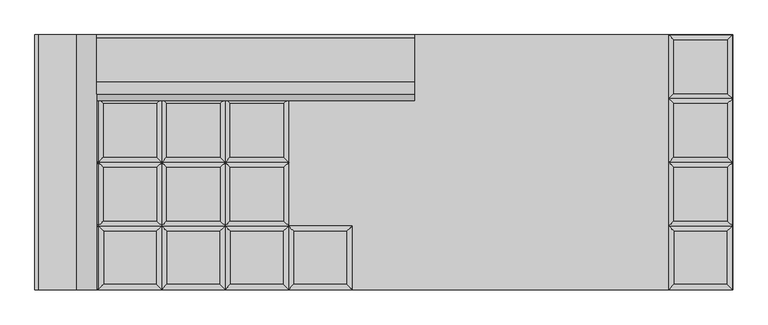
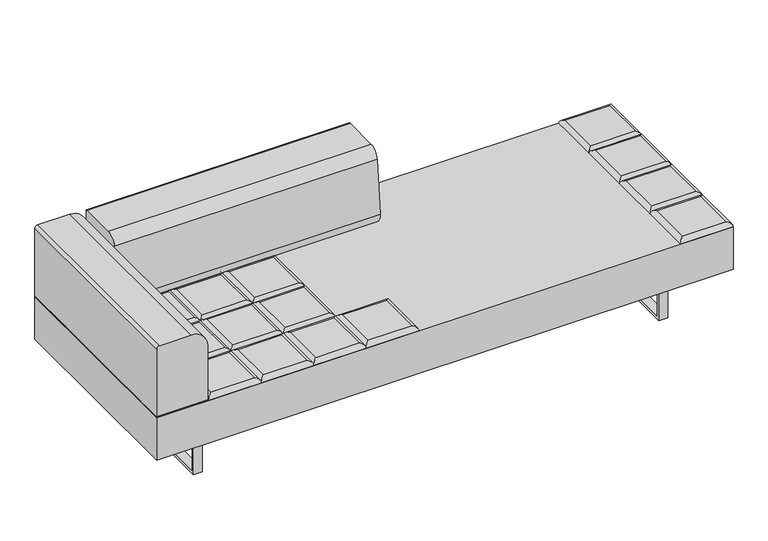
"""IFC4 building model written with IfcOpenShell, lengths in millimetres: furniture geometry."""

from ifc_helpers import new_model, si_unit, point, frame, frame_2d, origin, place, context, project, spatial, polyline, circle_curve, ellipse_curve, trimmed, segment, composite_curve, outline, extrude, source, transform, mapped, element, save
from ifc_brep_helpers import plane_surface, cylinder_surface, advanced_brep


def furniture_3f91d05d(model_context):
    return source(origin(), model_context, "Body", "SolidModel", [
        advanced_brep(
        [(-109.855, -222.25, 393.7), (-127.8155122, -240.2105122, 411.6605122), (-127.8155122, -426.5394878, 411.6605122), (-109.855, -444.5, 393.7), (-314.1444878, -426.5394878, 411.6605122), (-332.105, -444.5, 393.7), (-314.1444878, -240.2105122, 411.6605122), (-332.105, -222.25, 393.7)],
        [
            (0, 1, ellipse_curve(frame((-127.8155122, -240.2105122, 393.7), z_axis=(0.7071067811865475, -0.7071067811865475, 0.0), x_axis=(0.7071067811865474, 0.7071067811865476, 0.0)), 25.4, 17.9605122)),
            (1, 2),
            (2, 3, ellipse_curve(frame((-127.8155122, -426.5394878, 393.7), z_axis=(0.7071067811865475, 0.7071067811865475, 0.0), x_axis=(-0.7071067811865474, 0.7071067811865476, 0.0)), 25.4, 17.9605122)),
            (3, 0),
            (2, 4),
            (4, 5, ellipse_curve(frame((-314.1444878, -426.5394878, 393.7), z_axis=(0.7071067811865475, -0.7071067811865475, 0.0), x_axis=(0.7071067811865476, 0.7071067811865474, 0.0)), 25.4, 17.9605122)),
            (5, 3),
            (4, 6),
            (6, 7, ellipse_curve(frame((-314.1444878, -240.2105122, 393.7), z_axis=(-0.7071067811865475, -0.7071067811865475, 0.0), x_axis=(0.7071067811865474, -0.7071067811865476, 0.0)), 25.4, 17.9605122)),
            (7, 5),
            (0, 7),
            (6, 1),
        ],
        [
            cylinder_surface(frame((-127.8155122, -222.25, 393.7), z_axis=(0.0, 1.0, 0.0), x_axis=(1.0, 0.0, 0.0)), 17.9605122),
            cylinder_surface(frame((-109.855, -426.5394878, 393.7), z_axis=(1.0, 0.0, 0.0), x_axis=(0.0, -1.0, 0.0)), 17.9605122),
            cylinder_surface(frame((-314.1444878, -444.5, 393.7), z_axis=(0.0, -1.0, 0.0), x_axis=(-1.0, 0.0, 0.0)), 17.9605122),
            cylinder_surface(frame((-332.105, -240.2105122, 393.7), z_axis=(-1.0, 0.0, 0.0), x_axis=(0.0, 1.0, 0.0)), 17.9605122),
            plane_surface(frame((-332.105, -222.25, 393.7), z_axis=(0.0, 0.0, -1.0), x_axis=(1.0, 0.0, 0.0))),
            plane_surface(frame((-314.1444878, -240.2105122, 411.6605122), z_axis=(0.0, 0.0, 1.0), x_axis=(-1.0, 0.0, 0.0))),
        ],
        [
            (0, [[1, 2, 3, 4]]),
            (1, [[-3, 5, 6, 7]]),
            (2, [[-6, 8, 9, 10]]),
            (3, [[-1, 11, -9, 12]]),
            (4, [[-4, -7, -10, -11]]),
            (5, [[-2, -12, -8, -5]]),
        ],
    ),
        advanced_brep(
        [(-348.7955122, -204.2894878, 411.6605122), (-348.7955122, -17.9605122, 411.6605122), (-535.1244878, -17.9605122, 411.6605122), (-535.1244878, -204.2894878, 411.6605122), (-330.835, 0.0, 393.7), (-330.835, -222.25, 393.7), (-553.085, -222.25, 393.7), (-553.085, 0.0, 393.7)],
        [
            (0, 1),
            (1, 2),
            (2, 3),
            (3, 0),
            (4, 5),
            (5, 6),
            (6, 7),
            (7, 4),
            (4, 1, ellipse_curve(frame((-348.7955122, -17.9605122, 393.7), z_axis=(0.7071067811865475, -0.7071067811865475, 0.0), x_axis=(0.7071067811865474, 0.7071067811865476, 0.0)), 25.4, 17.9605122)),
            (0, 5, ellipse_curve(frame((-348.7955122, -204.2894878, 393.7), z_axis=(0.7071067811865475, 0.7071067811865475, 0.0), x_axis=(-0.7071067811865474, 0.7071067811865476, 0.0)), 25.4, 17.9605122)),
            (3, 6, ellipse_curve(frame((-535.1244878, -204.2894878, 393.7), z_axis=(0.7071067811865475, -0.7071067811865475, 0.0), x_axis=(0.7071067811865476, 0.7071067811865474, 0.0)), 25.4, 17.9605122)),
            (2, 7, ellipse_curve(frame((-535.1244878, -17.9605122, 393.7), z_axis=(-0.7071067811865475, -0.7071067811865475, 0.0), x_axis=(0.7071067811865474, -0.7071067811865476, 0.0)), 25.4, 17.9605122)),
        ],
        [
            plane_surface(frame((-535.1244878, -17.9605122, 411.6605122), z_axis=(0.0, 0.0, 1.0), x_axis=(-1.0, 0.0, 0.0))),
            plane_surface(frame((-535.1244878, -17.9605122, 393.7), z_axis=(0.0, 0.0, -1.0), x_axis=(1.0, 0.0, 0.0))),
            cylinder_surface(frame((-348.7955122, 0.0, 393.7), z_axis=(0.0, 1.0, 0.0), x_axis=(1.0, 0.0, 0.0)), 17.9605122),
            cylinder_surface(frame((-330.835, -204.2894878, 393.7), z_axis=(1.0, 0.0, 0.0), x_axis=(0.0, -1.0, 0.0)), 17.9605122),
            cylinder_surface(frame((-535.1244878, -222.25, 393.7), z_axis=(0.0, -1.0, 0.0), x_axis=(-1.0, 0.0, 0.0)), 17.9605122),
            cylinder_surface(frame((-553.085, -17.9605122, 393.7), z_axis=(-1.0, 0.0, 0.0), x_axis=(0.0, 1.0, 0.0)), 17.9605122),
        ],
        [
            (0, [[1, 2, 3, 4]]),
            (1, [[5, 6, 7, 8]]),
            (2, [[9, -1, 10, -5]]),
            (3, [[-10, -4, 11, -6]]),
            (4, [[-11, -3, 12, -7]]),
            (5, [[-9, -8, -12, -2]]),
        ],
    ),
        advanced_brep(
        [(-348.7955122, 17.9605122, 411.6605122), (-348.7955122, 204.2894878, 411.6605122), (-535.1244878, 204.2894878, 411.6605122), (-535.1244878, 17.9605122, 411.6605122), (-330.835, 222.25, 393.7), (-330.835, 0.0, 393.7), (-553.085, 0.0, 393.7), (-553.085, 222.25, 393.7)],
        [
            (0, 1),
            (1, 2),
            (2, 3),
            (3, 0),
            (4, 5),
            (5, 6),
            (6, 7),
            (7, 4),
            (4, 1, ellipse_curve(frame((-348.7955122, 204.2894878, 393.7), z_axis=(0.7071067811865475, -0.7071067811865475, 0.0), x_axis=(0.7071067811865474, 0.7071067811865476, 0.0)), 25.4, 17.9605122)),
            (0, 5, ellipse_curve(frame((-348.7955122, 17.9605122, 393.7), z_axis=(0.7071067811865475, 0.7071067811865475, 0.0), x_axis=(-0.7071067811865474, 0.7071067811865476, 0.0)), 25.4, 17.9605122)),
            (3, 6, ellipse_curve(frame((-535.1244878, 17.9605122, 393.7), z_axis=(0.7071067811865475, -0.7071067811865475, 0.0), x_axis=(0.7071067811865476, 0.7071067811865474, 0.0)), 25.4, 17.9605122)),
            (2, 7, ellipse_curve(frame((-535.1244878, 204.2894878, 393.7), z_axis=(-0.7071067811865475, -0.7071067811865475, 0.0), x_axis=(0.7071067811865474, -0.7071067811865476, 0.0)), 25.4, 17.9605122)),
        ],
        [
            plane_surface(frame((-535.1244878, 204.2894878, 411.6605122), z_axis=(0.0, 0.0, 1.0), x_axis=(-1.0, 0.0, 0.0))),
            plane_surface(frame((-535.1244878, 204.2894878, 393.7), z_axis=(0.0, 0.0, -1.0), x_axis=(1.0, 0.0, 0.0))),
            cylinder_surface(frame((-348.7955122, 222.25, 393.7), z_axis=(0.0, 1.0, 0.0), x_axis=(1.0, 0.0, 0.0)), 17.9605122),
            cylinder_surface(frame((-330.835, 17.9605122, 393.7), z_axis=(1.0, 0.0, 0.0), x_axis=(0.0, -1.0, 0.0)), 17.9605122),
            cylinder_surface(frame((-535.1244878, 0.0, 393.7), z_axis=(0.0, -1.0, 0.0), x_axis=(-1.0, 0.0, 0.0)), 17.9605122),
            cylinder_surface(frame((-553.085, 204.2894878, 393.7), z_axis=(-1.0, 0.0, 0.0), x_axis=(0.0, 1.0, 0.0)), 17.9605122),
        ],
        [
            (0, [[1, 2, 3, 4]]),
            (1, [[5, 6, 7, 8]]),
            (2, [[9, -1, 10, -5]]),
            (3, [[-10, -4, 11, -6]]),
            (4, [[-11, -3, 12, -7]]),
            (5, [[-9, -8, -12, -2]]),
        ],
    ),
        advanced_brep(
        [(-348.7955122, 240.2105122, 411.6605122), (-348.7955122, 426.5394878, 411.6605122), (-535.1244878, 426.5394878, 411.6605122), (-535.1244878, 240.2105122, 411.6605122), (-330.835, 444.5, 393.7), (-330.835, 222.25, 393.7), (-553.085, 222.25, 393.7), (-553.085, 444.5, 393.7)],
        [
            (0, 1),
            (1, 2),
            (2, 3),
            (3, 0),
            (4, 5),
            (5, 6),
            (6, 7),
            (7, 4),
            (4, 1, ellipse_curve(frame((-348.7955122, 426.5394878, 393.7), z_axis=(0.7071067811865475, -0.7071067811865475, 0.0), x_axis=(0.7071067811865474, 0.7071067811865476, 0.0)), 25.4, 17.9605122)),
            (0, 5, ellipse_curve(frame((-348.7955122, 240.2105122, 393.7), z_axis=(0.7071067811865475, 0.7071067811865475, 0.0), x_axis=(-0.7071067811865474, 0.7071067811865476, 0.0)), 25.4, 17.9605122)),
            (3, 6, ellipse_curve(frame((-535.1244878, 240.2105122, 393.7), z_axis=(0.7071067811865475, -0.7071067811865475, 0.0), x_axis=(0.7071067811865476, 0.7071067811865474, 0.0)), 25.4, 17.9605122)),
            (2, 7, ellipse_curve(frame((-535.1244878, 426.5394878, 393.7), z_axis=(-0.7071067811865475, -0.7071067811865475, 0.0), x_axis=(0.7071067811865474, -0.7071067811865476, 0.0)), 25.4, 17.9605122)),
        ],
        [
            plane_surface(frame((-535.1244878, 426.5394878, 411.6605122), z_axis=(0.0, 0.0, 1.0), x_axis=(-1.0, 0.0, 0.0))),
            plane_surface(frame((-535.1244878, 426.5394878, 393.7), z_axis=(0.0, 0.0, -1.0), x_axis=(1.0, 0.0, 0.0))),
            cylinder_surface(frame((-348.7955122, 444.5, 393.7), z_axis=(0.0, 1.0, 0.0), x_axis=(1.0, 0.0, 0.0)), 17.9605122),
            cylinder_surface(frame((-330.835, 240.2105122, 393.7), z_axis=(1.0, 0.0, 0.0), x_axis=(0.0, -1.0, 0.0)), 17.9605122),
            cylinder_surface(frame((-535.1244878, 222.25, 393.7), z_axis=(0.0, -1.0, 0.0), x_axis=(-1.0, 0.0, 0.0)), 17.9605122),
            cylinder_surface(frame((-553.085, 426.5394878, 393.7), z_axis=(-1.0, 0.0, 0.0), x_axis=(0.0, 1.0, 0.0)), 17.9605122),
        ],
        [
            (0, [[1, 2, 3, 4]]),
            (1, [[5, 6, 7, 8]]),
            (2, [[9, -1, 10, -5]]),
            (3, [[-10, -4, 11, -6]]),
            (4, [[-11, -3, 12, -7]]),
            (5, [[-9, -8, -12, -2]]),
        ],
    ),
        advanced_brep(
        [(-330.835, -222.25, 393.7), (-348.7955122, -240.2105122, 411.6605122), (-348.7955122, -426.5394878, 411.6605122), (-330.835, -444.5, 393.7), (-535.1244878, -426.5394878, 411.6605122), (-553.085, -444.5, 393.7), (-535.1244878, -240.2105122, 411.6605122), (-553.085, -222.25, 393.7)],
        [
            (0, 1, ellipse_curve(frame((-348.7955122, -240.2105122, 393.7), z_axis=(0.7071067811865475, -0.7071067811865475, 0.0), x_axis=(0.7071067811865474, 0.7071067811865476, 0.0)), 25.4, 17.9605122)),
            (1, 2),
            (2, 3, ellipse_curve(frame((-348.7955122, -426.5394878, 393.7), z_axis=(0.7071067811865475, 0.7071067811865475, 0.0), x_axis=(-0.7071067811865474, 0.7071067811865476, 0.0)), 25.4, 17.9605122)),
            (3, 0),
            (2, 4),
            (4, 5, ellipse_curve(frame((-535.1244878, -426.5394878, 393.7), z_axis=(0.7071067811865475, -0.7071067811865475, 0.0), x_axis=(0.7071067811865476, 0.7071067811865474, 0.0)), 25.4, 17.9605122)),
            (5, 3),
            (4, 6),
            (6, 7, ellipse_curve(frame((-535.1244878, -240.2105122, 393.7), z_axis=(-0.7071067811865475, -0.7071067811865475, 0.0), x_axis=(0.7071067811865474, -0.7071067811865476, 0.0)), 25.4, 17.9605122)),
            (7, 5),
            (0, 7),
            (6, 1),
        ],
        [
            cylinder_surface(frame((-348.7955122, -222.25, 393.7), z_axis=(0.0, 1.0, 0.0), x_axis=(1.0, 0.0, 0.0)), 17.9605122),
            cylinder_surface(frame((-330.835, -426.5394878, 393.7), z_axis=(1.0, 0.0, 0.0), x_axis=(0.0, -1.0, 0.0)), 17.9605122),
            cylinder_surface(frame((-535.1244878, -444.5, 393.7), z_axis=(0.0, -1.0, 0.0), x_axis=(-1.0, 0.0, 0.0)), 17.9605122),
            cylinder_surface(frame((-553.085, -240.2105122, 393.7), z_axis=(-1.0, 0.0, 0.0), x_axis=(0.0, 1.0, 0.0)), 17.9605122),
            plane_surface(frame((-553.085, -222.25, 393.7), z_axis=(0.0, 0.0, -1.0), x_axis=(1.0, 0.0, 0.0))),
            plane_surface(frame((-535.1244878, -240.2105122, 411.6605122), z_axis=(0.0, 0.0, 1.0), x_axis=(-1.0, 0.0, 0.0))),
        ],
        [
            (0, [[1, 2, 3, 4]]),
            (1, [[-3, 5, 6, 7]]),
            (2, [[-6, 8, 9, 10]]),
            (3, [[-1, 11, -9, 12]]),
            (4, [[-4, -7, -10, -11]]),
            (5, [[-2, -12, -8, -5]]),
        ],
    ),
        advanced_brep(
        [(-569.7755122, -204.2894878, 411.6605122), (-569.7755122, -17.9605122, 411.6605122), (-756.1044878, -17.9605122, 411.6605122), (-756.1044878, -204.2894878, 411.6605122), (-551.815, 0.0, 393.7), (-551.815, -222.25, 393.7), (-774.065, -222.25, 393.7), (-774.065, 0.0, 393.7)],
        [
            (0, 1),
            (1, 2),
            (2, 3),
            (3, 0),
            (4, 5),
            (5, 6),
            (6, 7),
            (7, 4),
            (4, 1, ellipse_curve(frame((-569.7755122, -17.9605122, 393.7), z_axis=(0.7071067811865475, -0.7071067811865475, 0.0), x_axis=(0.7071067811865474, 0.7071067811865476, 0.0)), 25.4, 17.9605122)),
            (0, 5, ellipse_curve(frame((-569.7755122, -204.2894878, 393.7), z_axis=(0.7071067811865475, 0.7071067811865475, 0.0), x_axis=(-0.7071067811865474, 0.7071067811865476, 0.0)), 25.4, 17.9605122)),
            (3, 6, ellipse_curve(frame((-756.1044878, -204.2894878, 393.7), z_axis=(0.7071067811865475, -0.7071067811865475, 0.0), x_axis=(0.7071067811865476, 0.7071067811865474, 0.0)), 25.4, 17.9605122)),
            (2, 7, ellipse_curve(frame((-756.1044878, -17.9605122, 393.7), z_axis=(-0.7071067811865475, -0.7071067811865475, 0.0), x_axis=(0.7071067811865474, -0.7071067811865476, 0.0)), 25.4, 17.9605122)),
        ],
        [
            plane_surface(frame((-756.1044878, -17.9605122, 411.6605122), z_axis=(0.0, 0.0, 1.0), x_axis=(-1.0, 0.0, 0.0))),
            plane_surface(frame((-756.1044878, -17.9605122, 393.7), z_axis=(0.0, 0.0, -1.0), x_axis=(1.0, 0.0, 0.0))),
            cylinder_surface(frame((-569.7755122, 0.0, 393.7), z_axis=(0.0, 1.0, 0.0), x_axis=(1.0, 0.0, 0.0)), 17.9605122),
            cylinder_surface(frame((-551.815, -204.2894878, 393.7), z_axis=(1.0, 0.0, 0.0), x_axis=(0.0, -1.0, 0.0)), 17.9605122),
            cylinder_surface(frame((-756.1044878, -222.25, 393.7), z_axis=(0.0, -1.0, 0.0), x_axis=(-1.0, 0.0, 0.0)), 17.9605122),
            cylinder_surface(frame((-774.065, -17.9605122, 393.7), z_axis=(-1.0, 0.0, 0.0), x_axis=(0.0, 1.0, 0.0)), 17.9605122),
        ],
        [
            (0, [[1, 2, 3, 4]]),
            (1, [[5, 6, 7, 8]]),
            (2, [[9, -1, 10, -5]]),
            (3, [[-10, -4, 11, -6]]),
            (4, [[-11, -3, 12, -7]]),
            (5, [[-9, -8, -12, -2]]),
        ],
    ),
        advanced_brep(
        [(-569.7755122, 17.9605122, 411.6605122), (-569.7755122, 204.2894878, 411.6605122), (-756.1044878, 204.2894878, 411.6605122), (-756.1044878, 17.9605122, 411.6605122), (-551.815, 222.25, 393.7), (-551.815, 0.0, 393.7), (-774.065, 0.0, 393.7), (-774.065, 222.25, 393.7)],
        [
            (0, 1),
            (1, 2),
            (2, 3),
            (3, 0),
            (4, 5),
            (5, 6),
            (6, 7),
            (7, 4),
            (4, 1, ellipse_curve(frame((-569.7755122, 204.2894878, 393.7), z_axis=(0.7071067811865475, -0.7071067811865475, 0.0), x_axis=(0.7071067811865474, 0.7071067811865476, 0.0)), 25.4, 17.9605122)),
            (0, 5, ellipse_curve(frame((-569.7755122, 17.9605122, 393.7), z_axis=(0.7071067811865475, 0.7071067811865475, 0.0), x_axis=(-0.7071067811865474, 0.7071067811865476, 0.0)), 25.4, 17.9605122)),
            (3, 6, ellipse_curve(frame((-756.1044878, 17.9605122, 393.7), z_axis=(0.7071067811865475, -0.7071067811865475, 0.0), x_axis=(0.7071067811865476, 0.7071067811865474, 0.0)), 25.4, 17.9605122)),
            (2, 7, ellipse_curve(frame((-756.1044878, 204.2894878, 393.7), z_axis=(-0.7071067811865475, -0.7071067811865475, 0.0), x_axis=(0.7071067811865474, -0.7071067811865476, 0.0)), 25.4, 17.9605122)),
        ],
        [
            plane_surface(frame((-756.1044878, 204.2894878, 411.6605122), z_axis=(0.0, 0.0, 1.0), x_axis=(-1.0, 0.0, 0.0))),
            plane_surface(frame((-756.1044878, 204.2894878, 393.7), z_axis=(0.0, 0.0, -1.0), x_axis=(1.0, 0.0, 0.0))),
            cylinder_surface(frame((-569.7755122, 222.25, 393.7), z_axis=(0.0, 1.0, 0.0), x_axis=(1.0, 0.0, 0.0)), 17.9605122),
            cylinder_surface(frame((-551.815, 17.9605122, 393.7), z_axis=(1.0, 0.0, 0.0), x_axis=(0.0, -1.0, 0.0)), 17.9605122),
            cylinder_surface(frame((-756.1044878, 0.0, 393.7), z_axis=(0.0, -1.0, 0.0), x_axis=(-1.0, 0.0, 0.0)), 17.9605122),
            cylinder_surface(frame((-774.065, 204.2894878, 393.7), z_axis=(-1.0, 0.0, 0.0), x_axis=(0.0, 1.0, 0.0)), 17.9605122),
        ],
        [
            (0, [[1, 2, 3, 4]]),
            (1, [[5, 6, 7, 8]]),
            (2, [[9, -1, 10, -5]]),
            (3, [[-10, -4, 11, -6]]),
            (4, [[-11, -3, 12, -7]]),
            (5, [[-9, -8, -12, -2]]),
        ],
    ),
        advanced_brep(
        [(-569.7755122, 240.2105122, 411.6605122), (-569.7755122, 426.5394878, 411.6605122), (-756.1044878, 426.5394878, 411.6605122), (-756.1044878, 240.2105122, 411.6605122), (-551.815, 444.5, 393.7), (-551.815, 222.25, 393.7), (-774.065, 222.25, 393.7), (-774.065, 444.5, 393.7)],
        [
            (0, 1),
            (1, 2),
            (2, 3),
            (3, 0),
            (4, 5),
            (5, 6),
            (6, 7),
            (7, 4),
            (4, 1, ellipse_curve(frame((-569.7755122, 426.5394878, 393.7), z_axis=(0.7071067811865475, -0.7071067811865475, 0.0), x_axis=(0.7071067811865474, 0.7071067811865476, 0.0)), 25.4, 17.9605122)),
            (0, 5, ellipse_curve(frame((-569.7755122, 240.2105122, 393.7), z_axis=(0.7071067811865475, 0.7071067811865475, 0.0), x_axis=(-0.7071067811865474, 0.7071067811865476, 0.0)), 25.4, 17.9605122)),
            (3, 6, ellipse_curve(frame((-756.1044878, 240.2105122, 393.7), z_axis=(0.7071067811865475, -0.7071067811865475, 0.0), x_axis=(0.7071067811865476, 0.7071067811865474, 0.0)), 25.4, 17.9605122)),
            (2, 7, ellipse_curve(frame((-756.1044878, 426.5394878, 393.7), z_axis=(-0.7071067811865475, -0.7071067811865475, 0.0), x_axis=(0.7071067811865474, -0.7071067811865476, 0.0)), 25.4, 17.9605122)),
        ],
        [
            plane_surface(frame((-756.1044878, 426.5394878, 411.6605122), z_axis=(0.0, 0.0, 1.0), x_axis=(-1.0, 0.0, 0.0))),
            plane_surface(frame((-756.1044878, 426.5394878, 393.7), z_axis=(0.0, 0.0, -1.0), x_axis=(1.0, 0.0, 0.0))),
            cylinder_surface(frame((-569.7755122, 444.5, 393.7), z_axis=(0.0, 1.0, 0.0), x_axis=(1.0, 0.0, 0.0)), 17.9605122),
            cylinder_surface(frame((-551.815, 240.2105122, 393.7), z_axis=(1.0, 0.0, 0.0), x_axis=(0.0, -1.0, 0.0)), 17.9605122),
            cylinder_surface(frame((-756.1044878, 222.25, 393.7), z_axis=(0.0, -1.0, 0.0), x_axis=(-1.0, 0.0, 0.0)), 17.9605122),
            cylinder_surface(frame((-774.065, 426.5394878, 393.7), z_axis=(-1.0, 0.0, 0.0), x_axis=(0.0, 1.0, 0.0)), 17.9605122),
        ],
        [
            (0, [[1, 2, 3, 4]]),
            (1, [[5, 6, 7, 8]]),
            (2, [[9, -1, 10, -5]]),
            (3, [[-10, -4, 11, -6]]),
            (4, [[-11, -3, 12, -7]]),
            (5, [[-9, -8, -12, -2]]),
        ],
    ),
        advanced_brep(
        [(-551.815, -222.25, 393.7), (-569.7755122, -240.2105122, 411.6605122), (-569.7755122, -426.5394878, 411.6605122), (-551.815, -444.5, 393.7), (-756.1044878, -426.5394878, 411.6605122), (-774.065, -444.5, 393.7), (-756.1044878, -240.2105122, 411.6605122), (-774.065, -222.25, 393.7)],
        [
            (0, 1, ellipse_curve(frame((-569.7755122, -240.2105122, 393.7), z_axis=(0.7071067811865475, -0.7071067811865475, 0.0), x_axis=(0.7071067811865474, 0.7071067811865476, 0.0)), 25.4, 17.9605122)),
            (1, 2),
            (2, 3, ellipse_curve(frame((-569.7755122, -426.5394878, 393.7), z_axis=(0.7071067811865475, 0.7071067811865475, 0.0), x_axis=(-0.7071067811865474, 0.7071067811865476, 0.0)), 25.4, 17.9605122)),
            (3, 0),
            (2, 4),
            (4, 5, ellipse_curve(frame((-756.1044878, -426.5394878, 393.7), z_axis=(0.7071067811865475, -0.7071067811865475, 0.0), x_axis=(0.7071067811865476, 0.7071067811865474, 0.0)), 25.4, 17.9605122)),
            (5, 3),
            (4, 6),
            (6, 7, ellipse_curve(frame((-756.1044878, -240.2105122, 393.7), z_axis=(-0.7071067811865475, -0.7071067811865475, 0.0), x_axis=(0.7071067811865474, -0.7071067811865476, 0.0)), 25.4, 17.9605122)),
            (7, 5),
            (0, 7),
            (6, 1),
        ],
        [
            cylinder_surface(frame((-569.7755122, -222.25, 393.7), z_axis=(0.0, 1.0, 0.0), x_axis=(1.0, 0.0, 0.0)), 17.9605122),
            cylinder_surface(frame((-551.815, -426.5394878, 393.7), z_axis=(1.0, 0.0, 0.0), x_axis=(0.0, -1.0, 0.0)), 17.9605122),
            cylinder_surface(frame((-756.1044878, -444.5, 393.7), z_axis=(0.0, -1.0, 0.0), x_axis=(-1.0, 0.0, 0.0)), 17.9605122),
            cylinder_surface(frame((-774.065, -240.2105122, 393.7), z_axis=(-1.0, 0.0, 0.0), x_axis=(0.0, 1.0, 0.0)), 17.9605122),
            plane_surface(frame((-774.065, -222.25, 393.7), z_axis=(0.0, 0.0, -1.0), x_axis=(1.0, 0.0, 0.0))),
            plane_surface(frame((-756.1044878, -240.2105122, 411.6605122), z_axis=(0.0, 0.0, 1.0), x_axis=(-1.0, 0.0, 0.0))),
        ],
        [
            (0, [[1, 2, 3, 4]]),
            (1, [[-3, 5, 6, 7]]),
            (2, [[-6, 8, 9, 10]]),
            (3, [[-1, 11, -9, 12]]),
            (4, [[-4, -7, -10, -11]]),
            (5, [[-2, -12, -8, -5]]),
        ],
    ),
        advanced_brep(
        [(-790.7555122, -204.2894878, 411.6605122), (-790.7555122, -17.9605122, 411.6605122), (-977.0844878, -17.9605122, 411.6605122), (-977.0844878, -204.2894878, 411.6605122), (-772.795, 0.0, 393.7), (-772.795, -222.25, 393.7), (-995.045, -222.25, 393.7), (-995.045, 0.0, 393.7)],
        [
            (0, 1),
            (1, 2),
            (2, 3),
            (3, 0),
            (4, 5),
            (5, 6),
            (6, 7),
            (7, 4),
            (4, 1, ellipse_curve(frame((-790.7555122, -17.9605122, 393.7), z_axis=(0.7071067811865475, -0.7071067811865475, 0.0), x_axis=(0.7071067811865474, 0.7071067811865476, 0.0)), 25.4, 17.9605122)),
            (0, 5, ellipse_curve(frame((-790.7555122, -204.2894878, 393.7), z_axis=(0.7071067811865475, 0.7071067811865475, 0.0), x_axis=(-0.7071067811865474, 0.7071067811865476, 0.0)), 25.4, 17.9605122)),
            (3, 6, ellipse_curve(frame((-977.0844878, -204.2894878, 393.7), z_axis=(0.7071067811865475, -0.7071067811865475, 0.0), x_axis=(0.7071067811865476, 0.7071067811865474, 0.0)), 25.4, 17.9605122)),
            (2, 7, ellipse_curve(frame((-977.0844878, -17.9605122, 393.7), z_axis=(-0.7071067811865475, -0.7071067811865475, 0.0), x_axis=(0.7071067811865474, -0.7071067811865476, 0.0)), 25.4, 17.9605122)),
        ],
        [
            plane_surface(frame((-977.0844878, -17.9605122, 411.6605122), z_axis=(0.0, 0.0, 1.0), x_axis=(-1.0, 0.0, 0.0))),
            plane_surface(frame((-977.0844878, -17.9605122, 393.7), z_axis=(0.0, 0.0, -1.0), x_axis=(1.0, 0.0, 0.0))),
            cylinder_surface(frame((-790.7555122, 0.0, 393.7), z_axis=(0.0, 1.0, 0.0), x_axis=(1.0, 0.0, 0.0)), 17.9605122),
            cylinder_surface(frame((-772.795, -204.2894878, 393.7), z_axis=(1.0, 0.0, 0.0), x_axis=(0.0, -1.0, 0.0)), 17.9605122),
            cylinder_surface(frame((-977.0844878, -222.25, 393.7), z_axis=(0.0, -1.0, 0.0), x_axis=(-1.0, 0.0, 0.0)), 17.9605122),
            cylinder_surface(frame((-995.045, -17.9605122, 393.7), z_axis=(-1.0, 0.0, 0.0), x_axis=(0.0, 1.0, 0.0)), 17.9605122),
        ],
        [
            (0, [[1, 2, 3, 4]]),
            (1, [[5, 6, 7, 8]]),
            (2, [[9, -1, 10, -5]]),
            (3, [[-10, -4, 11, -6]]),
            (4, [[-11, -3, 12, -7]]),
            (5, [[-9, -8, -12, -2]]),
        ],
    ),
        advanced_brep(
        [(-790.7555122, 17.9605122, 411.6605122), (-790.7555122, 204.2894878, 411.6605122), (-977.0844878, 204.2894878, 411.6605122), (-977.0844878, 17.9605122, 411.6605122), (-772.795, 222.25, 393.7), (-772.795, 0.0, 393.7), (-995.045, 0.0, 393.7), (-995.045, 222.25, 393.7)],
        [
            (0, 1),
            (1, 2),
            (2, 3),
            (3, 0),
            (4, 5),
            (5, 6),
            (6, 7),
            (7, 4),
            (4, 1, ellipse_curve(frame((-790.7555122, 204.2894878, 393.7), z_axis=(0.7071067811865475, -0.7071067811865475, 0.0), x_axis=(0.7071067811865474, 0.7071067811865476, 0.0)), 25.4, 17.9605122)),
            (0, 5, ellipse_curve(frame((-790.7555122, 17.9605122, 393.7), z_axis=(0.7071067811865475, 0.7071067811865475, 0.0), x_axis=(-0.7071067811865474, 0.7071067811865476, 0.0)), 25.4, 17.9605122)),
            (3, 6, ellipse_curve(frame((-977.0844878, 17.9605122, 393.7), z_axis=(0.7071067811865475, -0.7071067811865475, 0.0), x_axis=(0.7071067811865476, 0.7071067811865474, 0.0)), 25.4, 17.9605122)),
            (2, 7, ellipse_curve(frame((-977.0844878, 204.2894878, 393.7), z_axis=(-0.7071067811865475, -0.7071067811865475, 0.0), x_axis=(0.7071067811865474, -0.7071067811865476, 0.0)), 25.4, 17.9605122)),
        ],
        [
            plane_surface(frame((-977.0844878, 204.2894878, 411.6605122), z_axis=(0.0, 0.0, 1.0), x_axis=(-1.0, 0.0, 0.0))),
            plane_surface(frame((-977.0844878, 204.2894878, 393.7), z_axis=(0.0, 0.0, -1.0), x_axis=(1.0, 0.0, 0.0))),
            cylinder_surface(frame((-790.7555122, 222.25, 393.7), z_axis=(0.0, 1.0, 0.0), x_axis=(1.0, 0.0, 0.0)), 17.9605122),
            cylinder_surface(frame((-772.795, 17.9605122, 393.7), z_axis=(1.0, 0.0, 0.0), x_axis=(0.0, -1.0, 0.0)), 17.9605122),
            cylinder_surface(frame((-977.0844878, 0.0, 393.7), z_axis=(0.0, -1.0, 0.0), x_axis=(-1.0, 0.0, 0.0)), 17.9605122),
            cylinder_surface(frame((-995.045, 204.2894878, 393.7), z_axis=(-1.0, 0.0, 0.0), x_axis=(0.0, 1.0, 0.0)), 17.9605122),
        ],
        [
            (0, [[1, 2, 3, 4]]),
            (1, [[5, 6, 7, 8]]),
            (2, [[9, -1, 10, -5]]),
            (3, [[-10, -4, 11, -6]]),
            (4, [[-11, -3, 12, -7]]),
            (5, [[-9, -8, -12, -2]]),
        ],
    ),
        advanced_brep(
        [(-790.7555122, 240.2105122, 411.6605122), (-790.7555122, 426.5394878, 411.6605122), (-977.0844878, 426.5394878, 411.6605122), (-977.0844878, 240.2105122, 411.6605122), (-772.795, 444.5, 393.7), (-772.795, 222.25, 393.7), (-995.045, 222.25, 393.7), (-995.045, 444.5, 393.7)],
        [
            (0, 1),
            (1, 2),
            (2, 3),
            (3, 0),
            (4, 5),
            (5, 6),
            (6, 7),
            (7, 4),
            (4, 1, ellipse_curve(frame((-790.7555122, 426.5394878, 393.7), z_axis=(0.7071067811865475, -0.7071067811865475, 0.0), x_axis=(0.7071067811865474, 0.7071067811865476, 0.0)), 25.4, 17.9605122)),
            (0, 5, ellipse_curve(frame((-790.7555122, 240.2105122, 393.7), z_axis=(0.7071067811865475, 0.7071067811865475, 0.0), x_axis=(-0.7071067811865474, 0.7071067811865476, 0.0)), 25.4, 17.9605122)),
            (3, 6, ellipse_curve(frame((-977.0844878, 240.2105122, 393.7), z_axis=(0.7071067811865475, -0.7071067811865475, 0.0), x_axis=(0.7071067811865476, 0.7071067811865474, 0.0)), 25.4, 17.9605122)),
            (2, 7, ellipse_curve(frame((-977.0844878, 426.5394878, 393.7), z_axis=(-0.7071067811865475, -0.7071067811865475, 0.0), x_axis=(0.7071067811865474, -0.7071067811865476, 0.0)), 25.4, 17.9605122)),
        ],
        [
            plane_surface(frame((-977.0844878, 426.5394878, 411.6605122), z_axis=(0.0, 0.0, 1.0), x_axis=(-1.0, 0.0, 0.0))),
            plane_surface(frame((-977.0844878, 426.5394878, 393.7), z_axis=(0.0, 0.0, -1.0), x_axis=(1.0, 0.0, 0.0))),
            cylinder_surface(frame((-790.7555122, 444.5, 393.7), z_axis=(0.0, 1.0, 0.0), x_axis=(1.0, 0.0, 0.0)), 17.9605122),
            cylinder_surface(frame((-772.795, 240.2105122, 393.7), z_axis=(1.0, 0.0, 0.0), x_axis=(0.0, -1.0, 0.0)), 17.9605122),
            cylinder_surface(frame((-977.0844878, 222.25, 393.7), z_axis=(0.0, -1.0, 0.0), x_axis=(-1.0, 0.0, 0.0)), 17.9605122),
            cylinder_surface(frame((-995.045, 426.5394878, 393.7), z_axis=(-1.0, 0.0, 0.0), x_axis=(0.0, 1.0, 0.0)), 17.9605122),
        ],
        [
            (0, [[1, 2, 3, 4]]),
            (1, [[5, 6, 7, 8]]),
            (2, [[9, -1, 10, -5]]),
            (3, [[-10, -4, 11, -6]]),
            (4, [[-11, -3, 12, -7]]),
            (5, [[-9, -8, -12, -2]]),
        ],
    ),
        advanced_brep(
        [(-772.795, -222.25, 393.7), (-790.7555122, -240.2105122, 411.6605122), (-790.7555122, -426.5394878, 411.6605122), (-772.795, -444.5, 393.7), (-977.0844878, -426.5394878, 411.6605122), (-995.045, -444.5, 393.7), (-977.0844878, -240.2105122, 411.6605122), (-995.045, -222.25, 393.7)],
        [
            (0, 1, ellipse_curve(frame((-790.7555122, -240.2105122, 393.7), z_axis=(0.7071067811865475, -0.7071067811865475, 0.0), x_axis=(0.7071067811865474, 0.7071067811865476, 0.0)), 25.4, 17.9605122)),
            (1, 2),
            (2, 3, ellipse_curve(frame((-790.7555122, -426.5394878, 393.7), z_axis=(0.7071067811865475, 0.7071067811865475, 0.0), x_axis=(-0.7071067811865474, 0.7071067811865476, 0.0)), 25.4, 17.9605122)),
            (3, 0),
            (2, 4),
            (4, 5, ellipse_curve(frame((-977.0844878, -426.5394878, 393.7), z_axis=(0.7071067811865475, -0.7071067811865475, 0.0), x_axis=(0.7071067811865476, 0.7071067811865474, 0.0)), 25.4, 17.9605122)),
            (5, 3),
            (4, 6),
            (6, 7, ellipse_curve(frame((-977.0844878, -240.2105122, 393.7), z_axis=(-0.7071067811865475, -0.7071067811865475, 0.0), x_axis=(0.7071067811865474, -0.7071067811865476, 0.0)), 25.4, 17.9605122)),
            (7, 5),
            (0, 7),
            (6, 1),
        ],
        [
            cylinder_surface(frame((-790.7555122, -222.25, 393.7), z_axis=(0.0, 1.0, 0.0), x_axis=(1.0, 0.0, 0.0)), 17.9605122),
            cylinder_surface(frame((-772.795, -426.5394878, 393.7), z_axis=(1.0, 0.0, 0.0), x_axis=(0.0, -1.0, 0.0)), 17.9605122),
            cylinder_surface(frame((-977.0844878, -444.5, 393.7), z_axis=(0.0, -1.0, 0.0), x_axis=(-1.0, 0.0, 0.0)), 17.9605122),
            cylinder_surface(frame((-995.045, -240.2105122, 393.7), z_axis=(-1.0, 0.0, 0.0), x_axis=(0.0, 1.0, 0.0)), 17.9605122),
            plane_surface(frame((-995.045, -222.25, 393.7), z_axis=(0.0, 0.0, -1.0), x_axis=(1.0, 0.0, 0.0))),
            plane_surface(frame((-977.0844878, -240.2105122, 411.6605122), z_axis=(0.0, 0.0, 1.0), x_axis=(-1.0, 0.0, 0.0))),
        ],
        [
            (0, [[1, 2, 3, 4]]),
            (1, [[-3, 5, 6, 7]]),
            (2, [[-6, 8, 9, 10]]),
            (3, [[-1, 11, -9, 12]]),
            (4, [[-4, -7, -10, -11]]),
            (5, [[-2, -12, -8, -5]]),
        ],
    ),
        advanced_brep(
        [(1198.0644878, -204.2894878, 411.6605122), (1198.0644878, -17.9605122, 411.6605122), (1011.7355122, -17.9605122, 411.6605122), (1011.7355122, -204.2894878, 411.6605122), (1216.025, 0.0, 393.7), (1216.025, -222.25, 393.7), (993.775, -222.25, 393.7), (993.775, 0.0, 393.7)],
        [
            (0, 1),
            (1, 2),
            (2, 3),
            (3, 0),
            (4, 5),
            (5, 6),
            (6, 7),
            (7, 4),
            (4, 1, ellipse_curve(frame((1198.0644878, -17.9605122, 393.7), z_axis=(0.7071067811865475, -0.7071067811865475, 0.0), x_axis=(0.7071067811865474, 0.7071067811865476, 0.0)), 25.4, 17.9605122)),
            (0, 5, ellipse_curve(frame((1198.0644878, -204.2894878, 393.7), z_axis=(0.7071067811865475, 0.7071067811865475, 0.0), x_axis=(-0.7071067811865474, 0.7071067811865476, 0.0)), 25.4, 17.9605122)),
            (3, 6, ellipse_curve(frame((1011.7355122, -204.2894878, 393.7), z_axis=(0.7071067811865475, -0.7071067811865475, 0.0), x_axis=(0.7071067811865476, 0.7071067811865474, 0.0)), 25.4, 17.9605122)),
            (2, 7, ellipse_curve(frame((1011.7355122, -17.9605122, 393.7), z_axis=(-0.7071067811865475, -0.7071067811865475, 0.0), x_axis=(0.7071067811865474, -0.7071067811865476, 0.0)), 25.4, 17.9605122)),
        ],
        [
            plane_surface(frame((1011.7355122, -17.9605122, 411.6605122), z_axis=(0.0, 0.0, 1.0), x_axis=(-1.0, 0.0, 0.0))),
            plane_surface(frame((1011.7355122, -17.9605122, 393.7), z_axis=(0.0, 0.0, -1.0), x_axis=(1.0, 0.0, 0.0))),
            cylinder_surface(frame((1198.0644878, 0.0, 393.7), z_axis=(0.0, 1.0, 0.0), x_axis=(1.0, 0.0, 0.0)), 17.9605122),
            cylinder_surface(frame((1216.025, -204.2894878, 393.7), z_axis=(1.0, 0.0, 0.0), x_axis=(0.0, -1.0, 0.0)), 17.9605122),
            cylinder_surface(frame((1011.7355122, -222.25, 393.7), z_axis=(0.0, -1.0, 0.0), x_axis=(-1.0, 0.0, 0.0)), 17.9605122),
            cylinder_surface(frame((993.775, -17.9605122, 393.7), z_axis=(-1.0, 0.0, 0.0), x_axis=(0.0, 1.0, 0.0)), 17.9605122),
        ],
        [
            (0, [[1, 2, 3, 4]]),
            (1, [[5, 6, 7, 8]]),
            (2, [[9, -1, 10, -5]]),
            (3, [[-10, -4, 11, -6]]),
            (4, [[-11, -3, 12, -7]]),
            (5, [[-9, -8, -12, -2]]),
        ],
    ),
        advanced_brep(
        [(1198.0644878, 17.9605122, 411.6605122), (1198.0644878, 204.2894878, 411.6605122), (1011.7355122, 204.2894878, 411.6605122), (1011.7355122, 17.9605122, 411.6605122), (1216.025, 222.25, 393.7), (1216.025, 0.0, 393.7), (993.775, 0.0, 393.7), (993.775, 222.25, 393.7)],
        [
            (0, 1),
            (1, 2),
            (2, 3),
            (3, 0),
            (4, 5),
            (5, 6),
            (6, 7),
            (7, 4),
            (4, 1, ellipse_curve(frame((1198.0644878, 204.2894878, 393.7), z_axis=(0.7071067811865475, -0.7071067811865475, 0.0), x_axis=(0.7071067811865474, 0.7071067811865476, 0.0)), 25.4, 17.9605122)),
            (0, 5, ellipse_curve(frame((1198.0644878, 17.9605122, 393.7), z_axis=(0.7071067811865475, 0.7071067811865475, 0.0), x_axis=(-0.7071067811865474, 0.7071067811865476, 0.0)), 25.4, 17.9605122)),
            (3, 6, ellipse_curve(frame((1011.7355122, 17.9605122, 393.7), z_axis=(0.7071067811865475, -0.7071067811865475, 0.0), x_axis=(0.7071067811865476, 0.7071067811865474, 0.0)), 25.4, 17.9605122)),
            (2, 7, ellipse_curve(frame((1011.7355122, 204.2894878, 393.7), z_axis=(-0.7071067811865475, -0.7071067811865475, 0.0), x_axis=(0.7071067811865474, -0.7071067811865476, 0.0)), 25.4, 17.9605122)),
        ],
        [
            plane_surface(frame((1011.7355122, 204.2894878, 411.6605122), z_axis=(0.0, 0.0, 1.0), x_axis=(-1.0, 0.0, 0.0))),
            plane_surface(frame((1011.7355122, 204.2894878, 393.7), z_axis=(0.0, 0.0, -1.0), x_axis=(1.0, 0.0, 0.0))),
            cylinder_surface(frame((1198.0644878, 222.25, 393.7), z_axis=(0.0, 1.0, 0.0), x_axis=(1.0, 0.0, 0.0)), 17.9605122),
            cylinder_surface(frame((1216.025, 17.9605122, 393.7), z_axis=(1.0, 0.0, 0.0), x_axis=(0.0, -1.0, 0.0)), 17.9605122),
            cylinder_surface(frame((1011.7355122, 0.0, 393.7), z_axis=(0.0, -1.0, 0.0), x_axis=(-1.0, 0.0, 0.0)), 17.9605122),
            cylinder_surface(frame((993.775, 204.2894878, 393.7), z_axis=(-1.0, 0.0, 0.0), x_axis=(0.0, 1.0, 0.0)), 17.9605122),
        ],
        [
            (0, [[1, 2, 3, 4]]),
            (1, [[5, 6, 7, 8]]),
            (2, [[9, -1, 10, -5]]),
            (3, [[-10, -4, 11, -6]]),
            (4, [[-11, -3, 12, -7]]),
            (5, [[-9, -8, -12, -2]]),
        ],
    ),
        advanced_brep(
        [(1198.0644878, 240.2105122, 411.6605122), (1198.0644878, 426.5394878, 411.6605122), (1011.7355122, 426.5394878, 411.6605122), (1011.7355122, 240.2105122, 411.6605122), (1216.025, 444.5, 393.7), (1216.025, 222.25, 393.7), (993.775, 222.25, 393.7), (993.775, 444.5, 393.7)],
        [
            (0, 1),
            (1, 2),
            (2, 3),
            (3, 0),
            (4, 5),
            (5, 6),
            (6, 7),
            (7, 4),
            (4, 1, ellipse_curve(frame((1198.0644878, 426.5394878, 393.7), z_axis=(0.7071067811865475, -0.7071067811865475, 0.0), x_axis=(0.7071067811865474, 0.7071067811865476, 0.0)), 25.4, 17.9605122)),
            (0, 5, ellipse_curve(frame((1198.0644878, 240.2105122, 393.7), z_axis=(0.7071067811865475, 0.7071067811865475, 0.0), x_axis=(-0.7071067811865474, 0.7071067811865476, 0.0)), 25.4, 17.9605122)),
            (3, 6, ellipse_curve(frame((1011.7355122, 240.2105122, 393.7), z_axis=(0.7071067811865475, -0.7071067811865475, 0.0), x_axis=(0.7071067811865476, 0.7071067811865474, 0.0)), 25.4, 17.9605122)),
            (2, 7, ellipse_curve(frame((1011.7355122, 426.5394878, 393.7), z_axis=(-0.7071067811865475, -0.7071067811865475, 0.0), x_axis=(0.7071067811865474, -0.7071067811865476, 0.0)), 25.4, 17.9605122)),
        ],
        [
            plane_surface(frame((1011.7355122, 426.5394878, 411.6605122), z_axis=(0.0, 0.0, 1.0), x_axis=(-1.0, 0.0, 0.0))),
            plane_surface(frame((1011.7355122, 426.5394878, 393.7), z_axis=(0.0, 0.0, -1.0), x_axis=(1.0, 0.0, 0.0))),
            cylinder_surface(frame((1198.0644878, 444.5, 393.7), z_axis=(0.0, 1.0, 0.0), x_axis=(1.0, 0.0, 0.0)), 17.9605122),
            cylinder_surface(frame((1216.025, 240.2105122, 393.7), z_axis=(1.0, 0.0, 0.0), x_axis=(0.0, -1.0, 0.0)), 17.9605122),
            cylinder_surface(frame((1011.7355122, 222.25, 393.7), z_axis=(0.0, -1.0, 0.0), x_axis=(-1.0, 0.0, 0.0)), 17.9605122),
            cylinder_surface(frame((993.775, 426.5394878, 393.7), z_axis=(-1.0, 0.0, 0.0), x_axis=(0.0, 1.0, 0.0)), 17.9605122),
        ],
        [
            (0, [[1, 2, 3, 4]]),
            (1, [[5, 6, 7, 8]]),
            (2, [[9, -1, 10, -5]]),
            (3, [[-10, -4, 11, -6]]),
            (4, [[-11, -3, 12, -7]]),
            (5, [[-9, -8, -12, -2]]),
        ],
    ),
        advanced_brep(
        [(1216.025, -222.25, 393.7), (1198.0644878, -240.2105122, 411.6605122), (1198.0644878, -426.5394878, 411.6605122), (1216.025, -444.5, 393.7), (1011.7355122, -426.5394878, 411.6605122), (993.775, -444.5, 393.7), (1011.7355122, -240.2105122, 411.6605122), (993.775, -222.25, 393.7)],
        [
            (0, 1, ellipse_curve(frame((1198.0644878, -240.2105122, 393.7), z_axis=(0.7071067811865475, -0.7071067811865475, 0.0), x_axis=(0.7071067811865474, 0.7071067811865476, 0.0)), 25.4, 17.9605122)),
            (1, 2),
            (2, 3, ellipse_curve(frame((1198.0644878, -426.5394878, 393.7), z_axis=(0.7071067811865475, 0.7071067811865475, 0.0), x_axis=(-0.7071067811865474, 0.7071067811865476, 0.0)), 25.4, 17.9605122)),
            (3, 0),
            (2, 4),
            (4, 5, ellipse_curve(frame((1011.7355122, -426.5394878, 393.7), z_axis=(0.7071067811865475, -0.7071067811865475, 0.0), x_axis=(0.7071067811865476, 0.7071067811865474, 0.0)), 25.4, 17.9605122)),
            (5, 3),
            (4, 6),
            (6, 7, ellipse_curve(frame((1011.7355122, -240.2105122, 393.7), z_axis=(-0.7071067811865475, -0.7071067811865475, 0.0), x_axis=(0.7071067811865474, -0.7071067811865476, 0.0)), 25.4, 17.9605122)),
            (7, 5),
            (0, 7),
            (6, 1),
        ],
        [
            cylinder_surface(frame((1198.0644878, -222.25, 393.7), z_axis=(0.0, 1.0, 0.0), x_axis=(1.0, 0.0, 0.0)), 17.9605122),
            cylinder_surface(frame((1216.025, -426.5394878, 393.7), z_axis=(1.0, 0.0, 0.0), x_axis=(0.0, -1.0, 0.0)), 17.9605122),
            cylinder_surface(frame((1011.7355122, -444.5, 393.7), z_axis=(0.0, -1.0, 0.0), x_axis=(-1.0, 0.0, 0.0)), 17.9605122),
            cylinder_surface(frame((993.775, -240.2105122, 393.7), z_axis=(-1.0, 0.0, 0.0), x_axis=(0.0, 1.0, 0.0)), 17.9605122),
            plane_surface(frame((993.775, -222.25, 393.7), z_axis=(0.0, 0.0, -1.0), x_axis=(1.0, 0.0, 0.0))),
            plane_surface(frame((1011.7355122, -240.2105122, 411.6605122), z_axis=(0.0, 0.0, 1.0), x_axis=(-1.0, 0.0, 0.0))),
        ],
        [
            (0, [[1, 2, 3, 4]]),
            (1, [[-3, 5, 6, 7]]),
            (2, [[-6, 8, 9, 10]]),
            (3, [[-1, 11, -9, 12]]),
            (4, [[-4, -7, -10, -11]]),
            (5, [[-2, -12, -8, -5]]),
        ],
    ),
        advanced_brep(
        [(-1011.7355122, -204.2894878, 411.6605122), (-1011.7355122, -17.9605122, 411.6605122), (-1198.0644878, -17.9605122, 411.6605122), (-1198.0644878, -204.2894878, 411.6605122), (-993.775, 0.0, 393.7), (-993.775, -222.25, 393.7), (-1216.025, -222.25, 393.7), (-1216.025, 0.0, 393.7)],
        [
            (0, 1),
            (1, 2),
            (2, 3),
            (3, 0),
            (4, 5),
            (5, 6),
            (6, 7),
            (7, 4),
            (4, 1, ellipse_curve(frame((-1011.7355122, -17.9605122, 393.7), z_axis=(0.7071067811865475, -0.7071067811865475, 0.0), x_axis=(0.7071067811865474, 0.7071067811865476, 0.0)), 25.4, 17.9605122)),
            (0, 5, ellipse_curve(frame((-1011.7355122, -204.2894878, 393.7), z_axis=(0.7071067811865475, 0.7071067811865475, 0.0), x_axis=(-0.7071067811865474, 0.7071067811865476, 0.0)), 25.4, 17.9605122)),
            (3, 6, ellipse_curve(frame((-1198.0644878, -204.2894878, 393.7), z_axis=(0.7071067811865475, -0.7071067811865475, 0.0), x_axis=(0.7071067811865476, 0.7071067811865474, 0.0)), 25.4, 17.9605122)),
            (2, 7, ellipse_curve(frame((-1198.0644878, -17.9605122, 393.7), z_axis=(-0.7071067811865475, -0.7071067811865475, 0.0), x_axis=(0.7071067811865474, -0.7071067811865476, 0.0)), 25.4, 17.9605122)),
        ],
        [
            plane_surface(frame((-1198.0644878, -17.9605122, 411.6605122), z_axis=(0.0, 0.0, 1.0), x_axis=(-1.0, 0.0, 0.0))),
            plane_surface(frame((-1198.0644878, -17.9605122, 393.7), z_axis=(0.0, 0.0, -1.0), x_axis=(1.0, 0.0, 0.0))),
            cylinder_surface(frame((-1011.7355122, 0.0, 393.7), z_axis=(0.0, 1.0, 0.0), x_axis=(1.0, 0.0, 0.0)), 17.9605122),
            cylinder_surface(frame((-993.775, -204.2894878, 393.7), z_axis=(1.0, 0.0, 0.0), x_axis=(0.0, -1.0, 0.0)), 17.9605122),
            cylinder_surface(frame((-1198.0644878, -222.25, 393.7), z_axis=(0.0, -1.0, 0.0), x_axis=(-1.0, 0.0, 0.0)), 17.9605122),
            cylinder_surface(frame((-1216.025, -17.9605122, 393.7), z_axis=(-1.0, 0.0, 0.0), x_axis=(0.0, 1.0, 0.0)), 17.9605122),
        ],
        [
            (0, [[1, 2, 3, 4]]),
            (1, [[5, 6, 7, 8]]),
            (2, [[9, -1, 10, -5]]),
            (3, [[-10, -4, 11, -6]]),
            (4, [[-11, -3, 12, -7]]),
            (5, [[-9, -8, -12, -2]]),
        ],
    ),
        advanced_brep(
        [(-1011.7355122, 17.9605122, 411.6605122), (-1011.7355122, 204.2894878, 411.6605122), (-1198.0644878, 204.2894878, 411.6605122), (-1198.0644878, 17.9605122, 411.6605122), (-993.775, 222.25, 393.7), (-993.775, 0.0, 393.7), (-1216.025, 0.0, 393.7), (-1216.025, 222.25, 393.7)],
        [
            (0, 1),
            (1, 2),
            (2, 3),
            (3, 0),
            (4, 5),
            (5, 6),
            (6, 7),
            (7, 4),
            (4, 1, ellipse_curve(frame((-1011.7355122, 204.2894878, 393.7), z_axis=(0.7071067811865475, -0.7071067811865475, 0.0), x_axis=(0.7071067811865474, 0.7071067811865476, 0.0)), 25.4, 17.9605122)),
            (0, 5, ellipse_curve(frame((-1011.7355122, 17.9605122, 393.7), z_axis=(0.7071067811865475, 0.7071067811865475, 0.0), x_axis=(-0.7071067811865474, 0.7071067811865476, 0.0)), 25.4, 17.9605122)),
            (3, 6, ellipse_curve(frame((-1198.0644878, 17.9605122, 393.7), z_axis=(0.7071067811865475, -0.7071067811865475, 0.0), x_axis=(0.7071067811865476, 0.7071067811865474, 0.0)), 25.4, 17.9605122)),
            (2, 7, ellipse_curve(frame((-1198.0644878, 204.2894878, 393.7), z_axis=(-0.7071067811865475, -0.7071067811865475, 0.0), x_axis=(0.7071067811865474, -0.7071067811865476, 0.0)), 25.4, 17.9605122)),
        ],
        [
            plane_surface(frame((-1198.0644878, 204.2894878, 411.6605122), z_axis=(0.0, 0.0, 1.0), x_axis=(-1.0, 0.0, 0.0))),
            plane_surface(frame((-1198.0644878, 204.2894878, 393.7), z_axis=(0.0, 0.0, -1.0), x_axis=(1.0, 0.0, 0.0))),
            cylinder_surface(frame((-1011.7355122, 222.25, 393.7), z_axis=(0.0, 1.0, 0.0), x_axis=(1.0, 0.0, 0.0)), 17.9605122),
            cylinder_surface(frame((-993.775, 17.9605122, 393.7), z_axis=(1.0, 0.0, 0.0), x_axis=(0.0, -1.0, 0.0)), 17.9605122),
            cylinder_surface(frame((-1198.0644878, 0.0, 393.7), z_axis=(0.0, -1.0, 0.0), x_axis=(-1.0, 0.0, 0.0)), 17.9605122),
            cylinder_surface(frame((-1216.025, 204.2894878, 393.7), z_axis=(-1.0, 0.0, 0.0), x_axis=(0.0, 1.0, 0.0)), 17.9605122),
        ],
        [
            (0, [[1, 2, 3, 4]]),
            (1, [[5, 6, 7, 8]]),
            (2, [[9, -1, 10, -5]]),
            (3, [[-10, -4, 11, -6]]),
            (4, [[-11, -3, 12, -7]]),
            (5, [[-9, -8, -12, -2]]),
        ],
    ),
        advanced_brep(
        [(-1011.7355122, 240.2105122, 411.6605122), (-1011.7355122, 426.5394878, 411.6605122), (-1198.0644878, 426.5394878, 411.6605122), (-1198.0644878, 240.2105122, 411.6605122), (-993.775, 444.5, 393.7), (-993.775, 222.25, 393.7), (-1216.025, 222.25, 393.7), (-1216.025, 444.5, 393.7)],
        [
            (0, 1),
            (1, 2),
            (2, 3),
            (3, 0),
            (4, 5),
            (5, 6),
            (6, 7),
            (7, 4),
            (4, 1, ellipse_curve(frame((-1011.7355122, 426.5394878, 393.7), z_axis=(0.7071067811865475, -0.7071067811865475, 0.0), x_axis=(0.7071067811865474, 0.7071067811865476, 0.0)), 25.4, 17.9605122)),
            (0, 5, ellipse_curve(frame((-1011.7355122, 240.2105122, 393.7), z_axis=(0.7071067811865475, 0.7071067811865475, 0.0), x_axis=(-0.7071067811865474, 0.7071067811865476, 0.0)), 25.4, 17.9605122)),
            (3, 6, ellipse_curve(frame((-1198.0644878, 240.2105122, 393.7), z_axis=(0.7071067811865475, -0.7071067811865475, 0.0), x_axis=(0.7071067811865476, 0.7071067811865474, 0.0)), 25.4, 17.9605122)),
            (2, 7, ellipse_curve(frame((-1198.0644878, 426.5394878, 393.7), z_axis=(-0.7071067811865475, -0.7071067811865475, 0.0), x_axis=(0.7071067811865474, -0.7071067811865476, 0.0)), 25.4, 17.9605122)),
        ],
        [
            plane_surface(frame((-1198.0644878, 426.5394878, 411.6605122), z_axis=(0.0, 0.0, 1.0), x_axis=(-1.0, 0.0, 0.0))),
            plane_surface(frame((-1198.0644878, 426.5394878, 393.7), z_axis=(0.0, 0.0, -1.0), x_axis=(1.0, 0.0, 0.0))),
            cylinder_surface(frame((-1011.7355122, 444.5, 393.7), z_axis=(0.0, 1.0, 0.0), x_axis=(1.0, 0.0, 0.0)), 17.9605122),
            cylinder_surface(frame((-993.775, 240.2105122, 393.7), z_axis=(1.0, 0.0, 0.0), x_axis=(0.0, -1.0, 0.0)), 17.9605122),
            cylinder_surface(frame((-1198.0644878, 222.25, 393.7), z_axis=(0.0, -1.0, 0.0), x_axis=(-1.0, 0.0, 0.0)), 17.9605122),
            cylinder_surface(frame((-1216.025, 426.5394878, 393.7), z_axis=(-1.0, 0.0, 0.0), x_axis=(0.0, 1.0, 0.0)), 17.9605122),
        ],
        [
            (0, [[1, 2, 3, 4]]),
            (1, [[5, 6, 7, 8]]),
            (2, [[9, -1, 10, -5]]),
            (3, [[-10, -4, 11, -6]]),
            (4, [[-11, -3, 12, -7]]),
            (5, [[-9, -8, -12, -2]]),
        ],
    ),
        advanced_brep(
        [(-993.775, -222.25, 393.7), (-1011.7355122, -240.2105122, 411.6605122), (-1011.7355122, -426.5394878, 411.6605122), (-993.775, -444.5, 393.7), (-1198.0644878, -426.5394878, 411.6605122), (-1216.025, -444.5, 393.7), (-1198.0644878, -240.2105122, 411.6605122), (-1216.025, -222.25, 393.7)],
        [
            (0, 1, ellipse_curve(frame((-1011.7355122, -240.2105122, 393.7), z_axis=(0.7071067811865475, -0.7071067811865475, 0.0), x_axis=(0.7071067811865474, 0.7071067811865476, 0.0)), 25.4, 17.9605122)),
            (1, 2),
            (2, 3, ellipse_curve(frame((-1011.7355122, -426.5394878, 393.7), z_axis=(0.7071067811865475, 0.7071067811865475, 0.0), x_axis=(-0.7071067811865474, 0.7071067811865476, 0.0)), 25.4, 17.9605122)),
            (3, 0),
            (2, 4),
            (4, 5, ellipse_curve(frame((-1198.0644878, -426.5394878, 393.7), z_axis=(0.7071067811865475, -0.7071067811865475, 0.0), x_axis=(0.7071067811865476, 0.7071067811865474, 0.0)), 25.4, 17.9605122)),
            (5, 3),
            (4, 6),
            (6, 7, ellipse_curve(frame((-1198.0644878, -240.2105122, 393.7), z_axis=(-0.7071067811865475, -0.7071067811865475, 0.0), x_axis=(0.7071067811865474, -0.7071067811865476, 0.0)), 25.4, 17.9605122)),
            (7, 5),
            (0, 7),
            (6, 1),
        ],
        [
            cylinder_surface(frame((-1011.7355122, -222.25, 393.7), z_axis=(0.0, 1.0, 0.0), x_axis=(1.0, 0.0, 0.0)), 17.9605122),
            cylinder_surface(frame((-993.775, -426.5394878, 393.7), z_axis=(1.0, 0.0, 0.0), x_axis=(0.0, -1.0, 0.0)), 17.9605122),
            cylinder_surface(frame((-1198.0644878, -444.5, 393.7), z_axis=(0.0, -1.0, 0.0), x_axis=(-1.0, 0.0, 0.0)), 17.9605122),
            cylinder_surface(frame((-1216.025, -240.2105122, 393.7), z_axis=(-1.0, 0.0, 0.0), x_axis=(0.0, 1.0, 0.0)), 17.9605122),
            plane_surface(frame((-1216.025, -222.25, 393.7), z_axis=(0.0, 0.0, -1.0), x_axis=(1.0, 0.0, 0.0))),
            plane_surface(frame((-1198.0644878, -240.2105122, 411.6605122), z_axis=(0.0, 0.0, 1.0), x_axis=(-1.0, 0.0, 0.0))),
        ],
        [
            (0, [[1, 2, 3, 4]]),
            (1, [[-3, 5, 6, 7]]),
            (2, [[-6, 8, 9, 10]]),
            (3, [[-1, 11, -9, 12]]),
            (4, [[-4, -7, -10, -11]]),
            (5, [[-2, -12, -8, -5]]),
        ],
    ),
        extrude(outline(polyline([(-339.4724839, 0.0), (-339.4724839, 203.2), (341.6588694, 203.2), (341.6588694, 0.0), (-339.4724839, 0.0)]), holes=[polyline([(-326.7724839, 190.5), (-326.7724839, 12.7), (328.9588694, 12.7), (328.9588694, 190.5), (-326.7724839, 190.5)])]), frame((-1000.125, 0.0, 0.0), z_axis=(1.0, 0.0, 0.0), x_axis=(0.0, 1.0, 0.0)), (0.0, 0.0, 1.0), 38.0999535),
        extrude(outline(polyline([(-339.4724839, 203.2), (341.6588694, 203.2), (341.6588694, 0.0), (-339.4724839, 0.0), (-339.4724839, 203.2)]), holes=[polyline([(-326.7724839, 12.7), (328.9588694, 12.7), (328.9588694, 190.5), (-326.7724839, 190.5), (-326.7724839, 12.7)])]), frame((962.0250465, 0.0, 0.0), z_axis=(1.0, 0.0, 0.0), x_axis=(0.0, 1.0, 0.0)), (0.0, 0.0, 1.0), 38.0999535),
        extrude(outline(polyline([(1216.025, 444.5), (1216.025, -444.5), (-1216.025, -444.5), (-1216.025, 444.5), (1216.025, 444.5)])), frame((0.0, 0.0, 203.2), z_axis=(0.0, 0.0, 1.0), x_axis=(1.0, 0.0, 0.0)), (0.0, 0.0, 1.0), 190.5),
        extrude(outline(composite_curve([segment(polyline([(444.5, 393.7), (232.6067514, 393.7)]), True, "CONTINUOUS"), segment(trimmed(circle_curve(frame_2d((263.4189927, 430.9463408)), 48.3392606), [point((232.6067514, 393.7))], [point((215.3053904, 435.6116811))], False, "CARTESIAN"), True, "CONTINUOUS"), segment(polyline([(215.3053904, 435.6116811), (237.9512344, 669.1580194)]), True, "CONTINUOUS"), segment(trimmed(circle_curve(frame_2d((282.1937319, 664.8680412)), 44.45), [point((237.9512344, 669.1580194))], [point((282.1937319, 709.3180412))], False, "CARTESIAN"), True, "CONTINUOUS"), segment(polyline([(282.1937319, 709.3180412), (434.544558, 709.3180412)]), True, "CONTINUOUS"), segment(trimmed(circle_curve(frame_2d((434.544558, 699.3625993)), 9.955442), [point((434.544558, 709.3180412))], [point((444.5, 699.3625993))], False, "CARTESIAN"), True, "CONTINUOUS"), segment(polyline([(444.5, 699.3625993), (444.5, 393.7)]), True, "CONTINUOUS")], self_intersect=False)), frame((-1000.125, 0.0, 0.0), z_axis=(1.0, 0.0, 0.0), x_axis=(0.0, 1.0, 0.0)), (0.0, 0.0, 1.0), 1108.075),
        extrude(outline(composite_curve([segment(polyline([(696.9125, -1216.025), (393.7, -1216.025), (393.7, -1000.125), (639.7622655, -1000.125)]), True, "CONTINUOUS"), segment(trimmed(circle_curve(frame_2d((639.7622655, -1069.9752345)), 69.8502345), [point((639.7622655, -1000.125))], [point((709.6125, -1069.9752345))], False, "CARTESIAN"), True, "CONTINUOUS"), segment(polyline([(709.6125, -1069.9752345), (709.6125, -1203.325)]), True, "CONTINUOUS"), segment(trimmed(circle_curve(frame_2d((696.9125, -1203.325)), 12.7), [point((709.6125, -1203.325))], [point((696.9125, -1216.025))], False, "CARTESIAN"), True, "CONTINUOUS")], self_intersect=False)), frame((0.0, -444.5, 0.0), z_axis=(0.0, 1.0, 0.0), x_axis=(0.0, 0.0, 1.0)), (0.0, 0.0, 1.0), 889.0),
    ])


if __name__ == "__main__":
    model = new_model("IFC4")
    model_context = context("Model", 3, world=origin())
    ifc_project = project(units=[si_unit("LENGTHUNIT", "METRE", prefix="MILLI")], contexts=[model_context])
    site = spatial("IfcSite", under=ifc_project)
    building = spatial("IfcBuilding", under=site)
    placement = place(None, origin())
    furniture_shape = furniture_3f91d05d(model_context)
    element("IfcFurniture", 1, at=placement, inside=building, context=model_context, shape_type="MappedRepresentation", body=[
        mapped(furniture_shape, transform((0.0, 0.0, 0.0), x_axis=(1.0, 0.0, 0.0), y_axis=(0.0, 1.0, 0.0), z_axis=(0.0, 0.0, 1.0))),
    ])
    save(model, "model.ifc")
